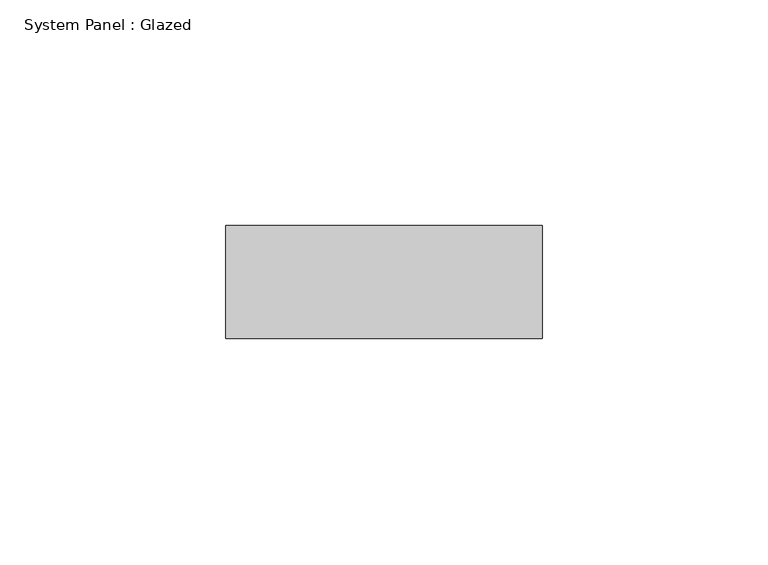
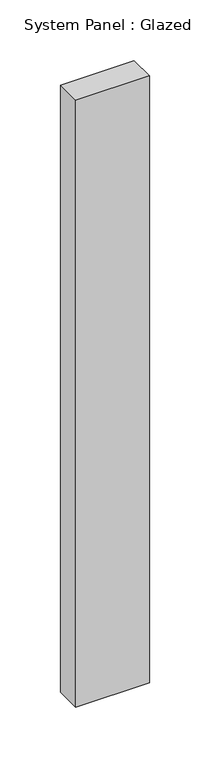
"""IFC4 building model written with IfcOpenShell, lengths in millimetres: plate geometry, System Panel : Glazed."""

from ifc_helpers import new_model, si_unit, origin, origin_with_axes, place, context, project, spatial, polyline, outline, extrude, source, transform, mapped, element, save


def system_panel_glazed_bd3bca3f(model_context):
    return source(origin(), model_context, "Body", "SweptSolid", [
        extrude(outline(polyline([(35.0, -49.5), (-35.0, -49.5), (-35.0, -24.5), (35.0, -24.5), (35.0, -49.5)])), origin_with_axes(), (0.0, 0.0, 1.0), 610.0),
    ])


if __name__ == "__main__":
    model = new_model("IFC4")
    model_context = context("Model", 3, world=origin())
    ifc_project = project(units=[si_unit("LENGTHUNIT", "METRE", prefix="MILLI")], contexts=[model_context])
    site = spatial("IfcSite", under=ifc_project)
    building = spatial("IfcBuilding", under=site)
    placement = place(None, origin())
    system_panel_glazed_shape = system_panel_glazed_bd3bca3f(model_context)
    element("IfcPlate", 1, ObjectType="System Panel : Glazed", at=placement, inside=building, context=model_context, shape_type="MappedRepresentation", body=[
        mapped(system_panel_glazed_shape, transform((0.0, 0.0, 0.0), x_axis=(1.0, 0.0, 0.0), y_axis=(0.0, 1.0, 0.0), z_axis=(0.0, 0.0, 1.0))),
    ])
    save(model, "model.ifc")
